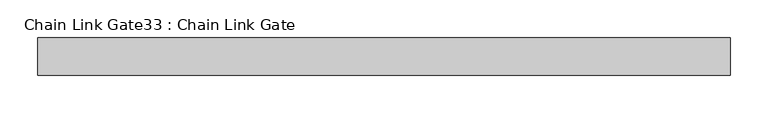
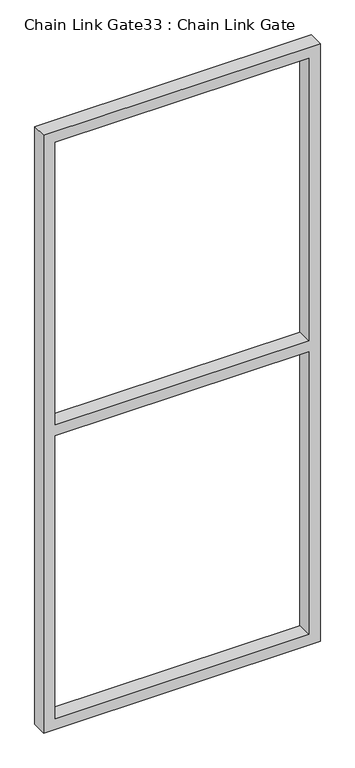
"""IFC4 building model written with IfcOpenShell, lengths in millimetres: proxy geometry, Chain Link Gate33 : Chain Link Gate."""

from ifc_helpers import new_model, si_unit, frame, origin, place, context, project, spatial, polyline, outline, extrude, source, transform, mapped, element, save


def chain_link_gate33_chain_link_gate_e40e5b91(model_context):
    return source(origin(), model_context, "Body", "SweptSolid", [
        extrude(outline(polyline([(2120.9, -8201.0348205), (12.7, -8201.0348205), (12.7, -7277.1098205), (2120.9, -7277.1098205), (2120.9, -8201.0348205)]), holes=[polyline([(2082.8, -8162.9348205), (2082.8, -7315.2098205), (1085.85, -7315.2098205), (1085.85, -8162.9348205), (2082.8, -8162.9348205)]), polyline([(1047.75, -7315.2098205), (50.8, -7315.2098205), (50.8, -8162.9348205), (1047.75, -8162.9348205), (1047.75, -7315.2098205)])]), frame((0.0, -1117.8887923, 0.0), z_axis=(0.0, 1.0, 0.0), x_axis=(0.0, 0.0, 1.0)), (0.0, 0.0, 1.0), 50.1314753),
    ])


if __name__ == "__main__":
    model = new_model("IFC4")
    model_context = context("Model", 3, world=origin())
    ifc_project = project(units=[si_unit("LENGTHUNIT", "METRE", prefix="MILLI")], contexts=[model_context])
    site = spatial("IfcSite", under=ifc_project)
    building = spatial("IfcBuilding", under=site)
    placement = place(None, origin())
    chain_link_gate33_chain_link_gate_shape = chain_link_gate33_chain_link_gate_e40e5b91(model_context)
    element("IfcBuildingElementProxy", 1, Name="Chain Link Gate33 : Chain Link Gate", ObjectType="Chain Link Gate33 : Chain Link Gate", at=placement, inside=building, context=model_context, shape_type="MappedRepresentation", body=[
        mapped(chain_link_gate33_chain_link_gate_shape, transform((0.0, 0.0, 0.0), x_axis=(1.0, 0.0, 0.0), y_axis=(0.0, 1.0, 0.0), z_axis=(0.0, 0.0, 1.0))),
    ])
    save(model, "model.ifc")
